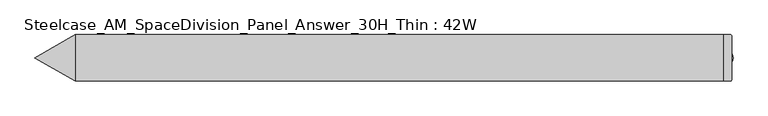
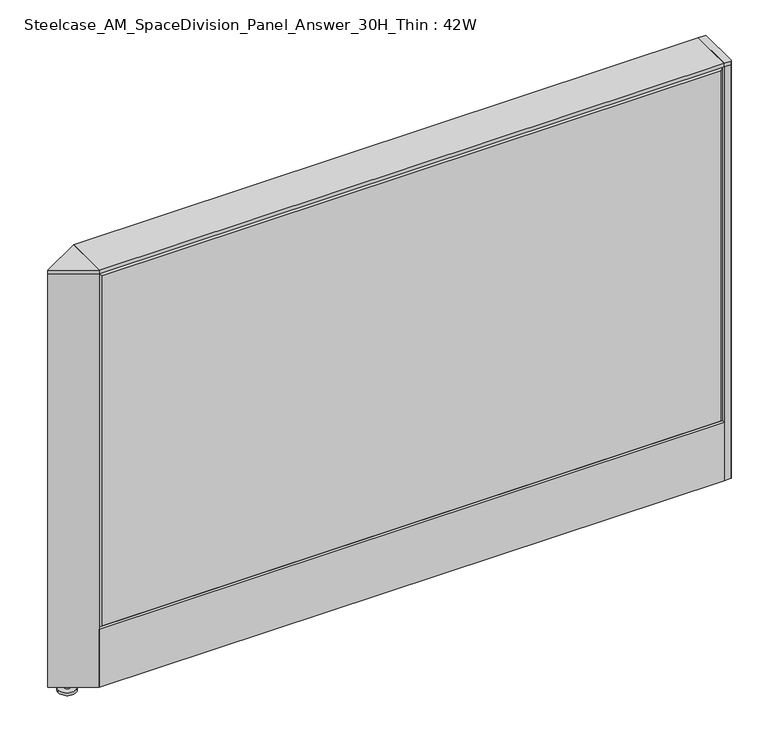
"""IFC4 building model written with IfcOpenShell, lengths in millimetres: furniture geometry, Steelcase_AM_SpaceDivision_Panel_Answer_30H_Thin : 42W."""

from ifc_helpers import new_model, si_unit, point, frame, frame_2d, origin, place, context, project, spatial, polyline, circle_curve, trimmed, segment, composite_curve, outline, extrude, faceted_brep, source, transform, mapped, element, save


def steelcase_am_spacedivision_panel_answer_30h_thin_42w_eb53ed70(model_context):
    return source(origin(), model_context, "Body", "SolidModel", [
        extrude(outline(polyline([(37.3075215, 119.8575157), (25.4000011, 119.8575157), (25.4000011, 120.65), (38.1000194, 120.65), (38.1000194, 15.494), (37.3075215, 15.494), (37.3075215, 119.8575157)])), frame((-533.4, 0.0, 0.0), z_axis=(1.0, 0.0, 0.0), x_axis=(0.0, 1.0, 0.0)), (0.0, 0.0, 1.0), 1066.8),
        extrude(outline(polyline([(-37.3075215, 119.8575157), (-37.3075215, 15.494), (-38.1000194, 15.494), (-38.1000194, 120.65), (-25.4000011, 120.65), (-25.4000011, 119.8575157), (-37.3075215, 119.8575157)])), frame((-533.4, 0.0, 0.0), z_axis=(1.0, 0.0, 0.0), x_axis=(0.0, 1.0, 0.0)), (0.0, 0.0, 1.0), 1066.8),
        extrude(outline(composite_curve([segment(trimmed(circle_curve(frame_2d((533.4, -1.94e-05)), 5.08), [point((538.48, -1.94e-05))], [point((528.32, -1.94e-05))], False, "CARTESIAN"), True, "CONTINUOUS"), segment(trimmed(circle_curve(frame_2d((533.4, -1.94e-05)), 5.08), [point((528.32, -1.94e-05))], [point((538.48, -1.94e-05))], False, "CARTESIAN"), True, "CONTINUOUS")], self_intersect=False)), frame((0.0, 0.0, 5.0799671), z_axis=(0.0, 0.0, 1.0), x_axis=(1.0, 0.0, 0.0)), (0.0, 0.0, 1.0), 10.414),
        extrude(outline(composite_curve([segment(trimmed(circle_curve(frame_2d((533.4, -1.94e-05)), 15.24), [point((548.64, -1.94e-05))], [point((518.16, -1.94e-05))], False, "CARTESIAN"), True, "CONTINUOUS"), segment(trimmed(circle_curve(frame_2d((533.4, -1.94e-05)), 15.24), [point((518.16, -1.94e-05))], [point((548.64, -1.94e-05))], False, "CARTESIAN"), True, "CONTINUOUS")], self_intersect=False)), frame((0.0, 0.0, -3.29e-05), z_axis=(0.0, 0.0, 1.0), x_axis=(1.0, 0.0, 0.0)), (0.0, 0.0, 1.0), 5.08),
        extrude(outline(composite_curve([segment(polyline([(546.1, 36.322), (546.1, -36.322)]), True, "CONTINUOUS"), segment(trimmed(circle_curve(frame_2d((544.322, -36.322)), 1.778), [point((546.1, -36.322))], [point((544.322, -38.1))], False, "CARTESIAN"), True, "CONTINUOUS"), segment(polyline([(544.322, -38.1), (533.4, -38.1), (533.4, 38.1), (544.322, 38.1)]), True, "CONTINUOUS"), segment(trimmed(circle_curve(frame_2d((544.322, 36.322)), 1.778), [point((544.322, 38.1))], [point((546.1, 36.322))], False, "CARTESIAN"), True, "CONTINUOUS")], self_intersect=False)), frame((0.0, 0.0, 761.9999671), z_axis=(0.0, 0.0, 1.0), x_axis=(1.0, 0.0, 0.0)), (0.0, 0.0, 1.0), 6.35),
        extrude(outline(composite_curve([segment(polyline([(546.1, 36.322), (546.1, -36.322)]), True, "CONTINUOUS"), segment(trimmed(circle_curve(frame_2d((544.322, -36.322)), 1.778), [point((546.1, -36.322))], [point((544.322, -38.1))], False, "CARTESIAN"), True, "CONTINUOUS"), segment(polyline([(544.322, -38.1), (533.4, -38.1), (533.4, 38.1), (544.322, 38.1)]), True, "CONTINUOUS"), segment(trimmed(circle_curve(frame_2d((544.322, 36.322)), 1.778), [point((544.322, 38.1))], [point((546.1, 36.322))], False, "CARTESIAN"), True, "CONTINUOUS")], self_intersect=False)), frame((0.0, 0.0, 15.4939671), z_axis=(0.0, 0.0, 1.0), x_axis=(1.0, 0.0, 0.0)), (0.0, 0.0, 1.0), 746.506),
        extrude(outline(composite_curve([segment(trimmed(circle_curve(frame_2d((-566.42, 0.0)), 5.08), [point((-571.5, 0.0))], [point((-561.34, 0.0))], False, "CARTESIAN"), True, "CONTINUOUS"), segment(trimmed(circle_curve(frame_2d((-566.42, 0.0)), 5.08), [point((-561.34, 0.0))], [point((-571.5, 0.0))], False, "CARTESIAN"), True, "CONTINUOUS")], self_intersect=False)), frame((0.0, 0.0, 5.0799671), z_axis=(0.0, 0.0, 1.0), x_axis=(1.0, 0.0, 0.0)), (0.0, 0.0, 1.0), 10.414),
        extrude(outline(composite_curve([segment(trimmed(circle_curve(frame_2d((-566.42, 0.0)), 15.24), [point((-581.66, 0.0))], [point((-551.18, 0.0))], False, "CARTESIAN"), True, "CONTINUOUS"), segment(trimmed(circle_curve(frame_2d((-566.42, 0.0)), 15.24), [point((-551.18, 0.0))], [point((-581.66, 0.0))], False, "CARTESIAN"), True, "CONTINUOUS")], self_intersect=False)), frame((0.0, 0.0, -3.29e-05), z_axis=(0.0, 0.0, 1.0), x_axis=(1.0, 0.0, 0.0)), (0.0, 0.0, 1.0), 5.08),
        extrude(outline(polyline([(-533.4, -38.0999806), (-599.3935144, 0.0), (-533.4, 38.0999806), (-533.4, -38.0999806)])), frame((0.0, 0.0, 761.9999671), z_axis=(0.0, 0.0, 1.0), x_axis=(1.0, 0.0, 0.0)), (0.0, 0.0, 1.0), 6.35),
        extrude(outline(polyline([(-533.4, 38.0999806), (-533.4, -38.0999806), (-599.3935144, 0.0), (-533.4, 38.0999806)])), frame((0.0, 0.0, 15.4939671), z_axis=(0.0, 0.0, 1.0), x_axis=(1.0, 0.0, 0.0)), (0.0, 0.0, 1.0), 746.506),
        faceted_brep([(528.574, 38.100001, 757.174), (528.574, 38.100001, 125.476), (-528.574, 38.100001, 125.476), (-528.574, 38.100001, 757.174), (533.4, 33.274001, 762.0), (-533.4, 33.274001, 762.0), (-533.4, 33.274001, 120.65), (533.4, 33.274001, 120.65)], [[[0, 1, 2, 3]], [[4, 5, 6, 7]], [[4, 0, 3, 5]], [[5, 3, 2, 6]], [[6, 2, 1, 7]], [[7, 1, 0, 4]]]),
        faceted_brep([(528.574, -38.100001, 757.174), (-528.574, -38.100001, 757.174), (-528.574, -38.100001, 125.476), (528.574, -38.100001, 125.476), (533.4, -33.274001, 762.0), (533.4, -33.274001, 120.65), (-533.4, -33.274001, 120.65), (-533.4, -33.274001, 762.0)], [[[0, 1, 2, 3]], [[4, 5, 6, 7]], [[4, 7, 1, 0]], [[7, 6, 2, 1]], [[6, 5, 3, 2]], [[5, 4, 0, 3]]]),
        extrude(outline(polyline([(533.4, 38.1000194), (533.4, -38.1000194), (-533.4, -38.1000194), (-533.4, 38.1000194), (533.4, 38.1000194)])), frame((0.0, 0.0, 762.0), z_axis=(0.0, 0.0, 1.0), x_axis=(1.0, 0.0, 0.0)), (0.0, 0.0, 1.0), 6.35),
    ])


if __name__ == "__main__":
    model = new_model("IFC4")
    model_context = context("Model", 3, world=origin())
    ifc_project = project(units=[si_unit("LENGTHUNIT", "METRE", prefix="MILLI")], contexts=[model_context])
    site = spatial("IfcSite", under=ifc_project)
    building = spatial("IfcBuilding", under=site)
    placement = place(None, origin())
    steelcase_am_spacedivision_panel_answer_30h_thin_42w_shape = steelcase_am_spacedivision_panel_answer_30h_thin_42w_eb53ed70(model_context)
    element("IfcFurniture", 1, ObjectType="Steelcase_AM_SpaceDivision_Panel_Answer_30H_Thin : 42W", at=placement, inside=building, context=model_context, shape_type="MappedRepresentation", body=[
        mapped(steelcase_am_spacedivision_panel_answer_30h_thin_42w_shape, transform((0.0, 0.0, 0.0), x_axis=(1.0, 0.0, 0.0), y_axis=(0.0, 1.0, 0.0), z_axis=(0.0, 0.0, 1.0))),
    ])
    save(model, "model.ifc")
